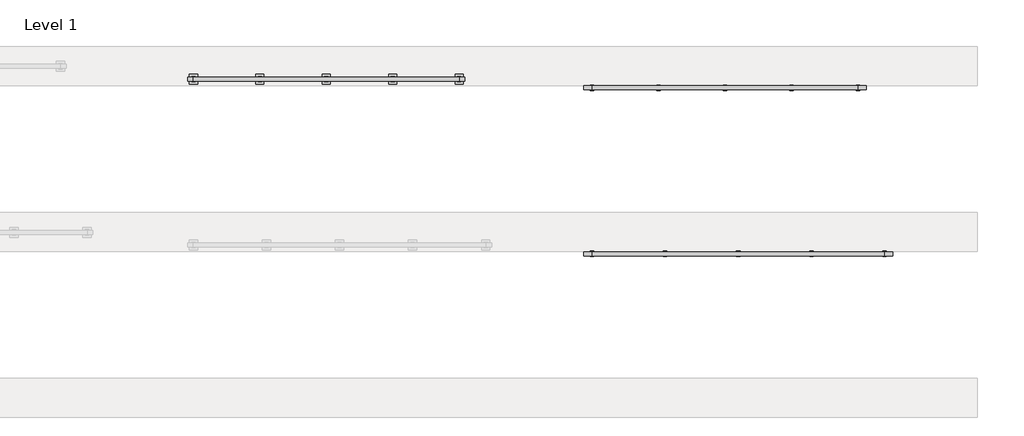
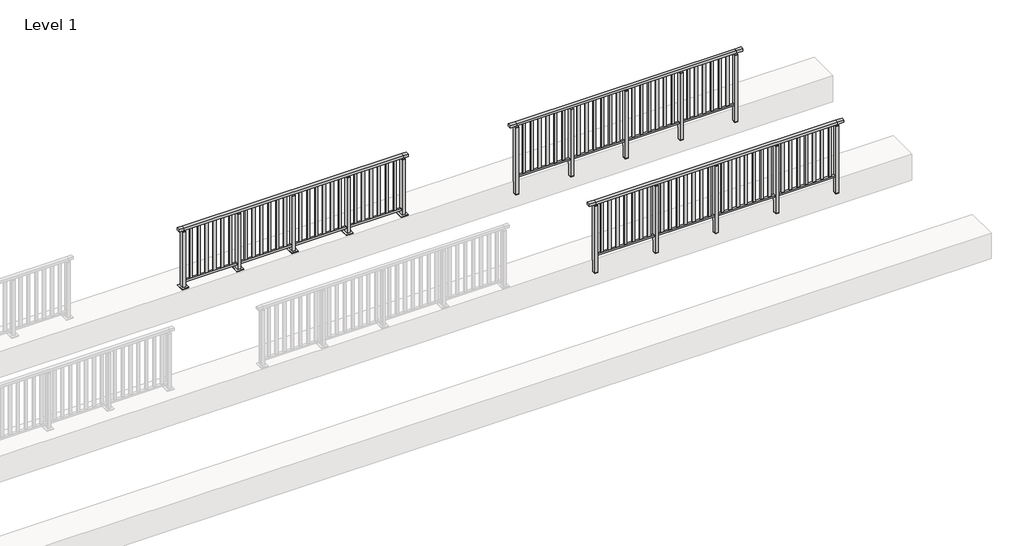
# One storey, part 31 of 38: 3 railings.
"""IFC4 building model written with IfcOpenShell, lengths in millimetres."""

from ifc_helpers import new_model, si_unit, frame, origin, origin_with_axes, place, context, project, spatial, polyline, outline, extrude, faceted_brep, element, save

model = new_model("IFC4")

# Units and contexts
model_context = context("Model", 3, world=origin())
ifc_project = project(units=[si_unit("LENGTHUNIT", "METRE", prefix="MILLI")], contexts=[model_context])

# Site, building, storey
site = spatial("IfcSite", under=ifc_project)
building = spatial("IfcBuilding", under=site)
storey = spatial("IfcBuildingStorey", under=building, Name="Level 1", Elevation=0.0)

# Railings
placement = place(None, origin())
element("IfcRailing", 1, at=placement, inside=storey, context=model_context, shape_type="SolidModel", body=[
    faceted_brep([(12000.0, 49897.6846828, 1102.5), (12000.0, 49897.6846828, 1150.0), (16400.0, 49897.6846828, 1150.0), (16400.0, 49897.6846828, 1102.5), (12000.0, 49837.6846828, 1102.5), (16400.0, 49837.6846828, 1102.5), (12000.0, 49837.6846828, 1150.0), (16400.0, 49837.6846828, 1150.0), (11877.0, 49897.6846828, 1150.0), (11877.0, 49897.6846828, 1102.5), (11877.0, 49837.6846828, 1102.5), (11877.0, 49837.6846828, 1150.0), (16523.0, 49897.6846828, 1150.0), (16523.0, 49837.6846828, 1150.0), (16523.0, 49837.6846828, 1102.5), (16523.0, 49897.6846828, 1102.5)], [[[0, 1, 2, 3]], [[4, 0, 3, 5]], [[6, 4, 5, 7]], [[1, 6, 7, 2]], [[8, 9, 10, 11]], [[9, 8, 1, 0]], [[10, 9, 0, 4]], [[11, 10, 4, 6]], [[8, 11, 6, 1]], [[12, 13, 14, 15]], [[3, 2, 12, 15]], [[5, 3, 15, 14]], [[7, 5, 14, 13]], [[2, 7, 13, 12]]]),
    extrude(outline(polyline([(12000.0, 49849.6846828), (12000.0, 49885.6846828), (16400.0, 49885.6846828), (16400.0, 49849.6846828), (12000.0, 49849.6846828)])), frame((0.0, 0.0, 93.0), z_axis=(0.0, 0.0, 1.0), x_axis=(1.0, 0.0, 0.0)), (0.0, 0.0, 1.0), 32.0),
    extrude(outline(polyline([(16306.3592058, 49859.1846828), (16257.3592058, 49859.1846828), (16257.3592058, 49876.1846828), (16306.3592058, 49876.1846828), (16306.3592058, 49859.1846828)])), frame((0.0, 0.0, 125.0), z_axis=(0.0, 0.0, 1.0), x_axis=(1.0, 0.0, 0.0)), (0.0, 0.0, 1.0), 980.0),
    extrude(outline(polyline([(16162.4061372, 49859.1846828), (16113.4061372, 49859.1846828), (16113.4061372, 49876.1846828), (16162.4061372, 49876.1846828), (16162.4061372, 49859.1846828)])), frame((0.0, 0.0, 125.0), z_axis=(0.0, 0.0, 1.0), x_axis=(1.0, 0.0, 0.0)), (0.0, 0.0, 1.0), 980.0),
    extrude(outline(polyline([(16018.4530686, 49859.1846828), (15969.4530686, 49859.1846828), (15969.4530686, 49876.1846828), (16018.4530686, 49876.1846828), (16018.4530686, 49859.1846828)])), frame((0.0, 0.0, 125.0), z_axis=(0.0, 0.0, 1.0), x_axis=(1.0, 0.0, 0.0)), (0.0, 0.0, 1.0), 980.0),
    extrude(outline(polyline([(15874.5, 49859.1846828), (15825.5, 49859.1846828), (15825.5, 49876.1846828), (15874.5, 49876.1846828), (15874.5, 49859.1846828)])), frame((0.0, 0.0, 125.0), z_axis=(0.0, 0.0, 1.0), x_axis=(1.0, 0.0, 0.0)), (0.0, 0.0, 1.0), 980.0),
    extrude(outline(polyline([(15730.5469314, 49859.1846828), (15681.5469314, 49859.1846828), (15681.5469314, 49876.1846828), (15730.5469314, 49876.1846828), (15730.5469314, 49859.1846828)])), frame((0.0, 0.0, 125.0), z_axis=(0.0, 0.0, 1.0), x_axis=(1.0, 0.0, 0.0)), (0.0, 0.0, 1.0), 980.0),
    extrude(outline(polyline([(15586.5938628, 49859.1846828), (15537.5938628, 49859.1846828), (15537.5938628, 49876.1846828), (15586.5938628, 49876.1846828), (15586.5938628, 49859.1846828)])), frame((0.0, 0.0, 125.0), z_axis=(0.0, 0.0, 1.0), x_axis=(1.0, 0.0, 0.0)), (0.0, 0.0, 1.0), 980.0),
    extrude(outline(polyline([(15442.6407942, 49859.1846828), (15393.6407942, 49859.1846828), (15393.6407942, 49876.1846828), (15442.6407942, 49876.1846828), (15442.6407942, 49859.1846828)])), frame((0.0, 0.0, 125.0), z_axis=(0.0, 0.0, 1.0), x_axis=(1.0, 0.0, 0.0)), (0.0, 0.0, 1.0), 980.0),
    extrude(outline(polyline([(15327.0, 49906.6846828), (15327.0, 49828.6846828), (15273.0, 49828.6846828), (15273.0, 49906.6846828), (15327.0, 49906.6846828)])), frame((0.0, 0.0, 1077.0), z_axis=(0.0, 0.0, 1.0), x_axis=(1.0, 0.0, 0.0)), (0.0, 0.0, 1.0), 8.0),
    extrude(outline(polyline([(15327.0, 49906.6846828), (15327.0, 49828.6846828), (15273.0, 49828.6846828), (15273.0, 49906.6846828), (15327.0, 49906.6846828)])), frame((0.0, 0.0, -212.0), z_axis=(0.0, 0.0, 1.0), x_axis=(1.0, 0.0, 0.0)), (0.0, 0.0, 1.0), 1289.0),
    extrude(outline(polyline([(15310.0, 49877.6846828), (15310.0, 49857.6846828), (15290.0, 49857.6846828), (15290.0, 49877.6846828), (15310.0, 49877.6846828)])), frame((0.0, 0.0, 1085.0), z_axis=(0.0, 0.0, 1.0), x_axis=(1.0, 0.0, 0.0)), (0.0, 0.0, 1.0), 20.0),
    extrude(outline(polyline([(15327.0, 49906.6846828), (15327.0, 49828.6846828), (15273.0, 49828.6846828), (15273.0, 49906.6846828), (15327.0, 49906.6846828)])), frame((0.0, 0.0, -220.0), z_axis=(0.0, 0.0, 1.0), x_axis=(1.0, 0.0, 0.0)), (0.0, 0.0, 1.0), 8.0),
    extrude(outline(polyline([(15206.3592058, 49859.1846828), (15157.3592058, 49859.1846828), (15157.3592058, 49876.1846828), (15206.3592058, 49876.1846828), (15206.3592058, 49859.1846828)])), frame((0.0, 0.0, 125.0), z_axis=(0.0, 0.0, 1.0), x_axis=(1.0, 0.0, 0.0)), (0.0, 0.0, 1.0), 980.0),
    extrude(outline(polyline([(15062.4061372, 49859.1846828), (15013.4061372, 49859.1846828), (15013.4061372, 49876.1846828), (15062.4061372, 49876.1846828), (15062.4061372, 49859.1846828)])), frame((0.0, 0.0, 125.0), z_axis=(0.0, 0.0, 1.0), x_axis=(1.0, 0.0, 0.0)), (0.0, 0.0, 1.0), 980.0),
    extrude(outline(polyline([(14918.4530686, 49859.1846828), (14869.4530686, 49859.1846828), (14869.4530686, 49876.1846828), (14918.4530686, 49876.1846828), (14918.4530686, 49859.1846828)])), frame((0.0, 0.0, 125.0), z_axis=(0.0, 0.0, 1.0), x_axis=(1.0, 0.0, 0.0)), (0.0, 0.0, 1.0), 980.0),
    extrude(outline(polyline([(14774.5, 49859.1846828), (14725.5, 49859.1846828), (14725.5, 49876.1846828), (14774.5, 49876.1846828), (14774.5, 49859.1846828)])), frame((0.0, 0.0, 125.0), z_axis=(0.0, 0.0, 1.0), x_axis=(1.0, 0.0, 0.0)), (0.0, 0.0, 1.0), 980.0),
    extrude(outline(polyline([(14630.5469314, 49859.1846828), (14581.5469314, 49859.1846828), (14581.5469314, 49876.1846828), (14630.5469314, 49876.1846828), (14630.5469314, 49859.1846828)])), frame((0.0, 0.0, 125.0), z_axis=(0.0, 0.0, 1.0), x_axis=(1.0, 0.0, 0.0)), (0.0, 0.0, 1.0), 980.0),
    extrude(outline(polyline([(14486.5938628, 49859.1846828), (14437.5938628, 49859.1846828), (14437.5938628, 49876.1846828), (14486.5938628, 49876.1846828), (14486.5938628, 49859.1846828)])), frame((0.0, 0.0, 125.0), z_axis=(0.0, 0.0, 1.0), x_axis=(1.0, 0.0, 0.0)), (0.0, 0.0, 1.0), 980.0),
    extrude(outline(polyline([(14342.6407942, 49859.1846828), (14293.6407942, 49859.1846828), (14293.6407942, 49876.1846828), (14342.6407942, 49876.1846828), (14342.6407942, 49859.1846828)])), frame((0.0, 0.0, 125.0), z_axis=(0.0, 0.0, 1.0), x_axis=(1.0, 0.0, 0.0)), (0.0, 0.0, 1.0), 980.0),
    extrude(outline(polyline([(14227.0, 49906.6846828), (14227.0, 49828.6846828), (14173.0, 49828.6846828), (14173.0, 49906.6846828), (14227.0, 49906.6846828)])), frame((0.0, 0.0, 1077.0), z_axis=(0.0, 0.0, 1.0), x_axis=(1.0, 0.0, 0.0)), (0.0, 0.0, 1.0), 8.0),
    extrude(outline(polyline([(14227.0, 49906.6846828), (14227.0, 49828.6846828), (14173.0, 49828.6846828), (14173.0, 49906.6846828), (14227.0, 49906.6846828)])), frame((0.0, 0.0, -212.0), z_axis=(0.0, 0.0, 1.0), x_axis=(1.0, 0.0, 0.0)), (0.0, 0.0, 1.0), 1289.0),
    extrude(outline(polyline([(14210.0, 49877.6846828), (14210.0, 49857.6846828), (14190.0, 49857.6846828), (14190.0, 49877.6846828), (14210.0, 49877.6846828)])), frame((0.0, 0.0, 1085.0), z_axis=(0.0, 0.0, 1.0), x_axis=(1.0, 0.0, 0.0)), (0.0, 0.0, 1.0), 20.0),
    extrude(outline(polyline([(14227.0, 49906.6846828), (14227.0, 49828.6846828), (14173.0, 49828.6846828), (14173.0, 49906.6846828), (14227.0, 49906.6846828)])), frame((0.0, 0.0, -220.0), z_axis=(0.0, 0.0, 1.0), x_axis=(1.0, 0.0, 0.0)), (0.0, 0.0, 1.0), 8.0),
    extrude(outline(polyline([(14106.3592058, 49859.1846828), (14057.3592058, 49859.1846828), (14057.3592058, 49876.1846828), (14106.3592058, 49876.1846828), (14106.3592058, 49859.1846828)])), frame((0.0, 0.0, 125.0), z_axis=(0.0, 0.0, 1.0), x_axis=(1.0, 0.0, 0.0)), (0.0, 0.0, 1.0), 980.0),
    extrude(outline(polyline([(13962.4061372, 49859.1846828), (13913.4061372, 49859.1846828), (13913.4061372, 49876.1846828), (13962.4061372, 49876.1846828), (13962.4061372, 49859.1846828)])), frame((0.0, 0.0, 125.0), z_axis=(0.0, 0.0, 1.0), x_axis=(1.0, 0.0, 0.0)), (0.0, 0.0, 1.0), 980.0),
    extrude(outline(polyline([(13818.4530686, 49859.1846828), (13769.4530686, 49859.1846828), (13769.4530686, 49876.1846828), (13818.4530686, 49876.1846828), (13818.4530686, 49859.1846828)])), frame((0.0, 0.0, 125.0), z_axis=(0.0, 0.0, 1.0), x_axis=(1.0, 0.0, 0.0)), (0.0, 0.0, 1.0), 980.0),
    extrude(outline(polyline([(13674.5, 49859.1846828), (13625.5, 49859.1846828), (13625.5, 49876.1846828), (13674.5, 49876.1846828), (13674.5, 49859.1846828)])), frame((0.0, 0.0, 125.0), z_axis=(0.0, 0.0, 1.0), x_axis=(1.0, 0.0, 0.0)), (0.0, 0.0, 1.0), 980.0),
    extrude(outline(polyline([(13530.5469314, 49859.1846828), (13481.5469314, 49859.1846828), (13481.5469314, 49876.1846828), (13530.5469314, 49876.1846828), (13530.5469314, 49859.1846828)])), frame((0.0, 0.0, 125.0), z_axis=(0.0, 0.0, 1.0), x_axis=(1.0, 0.0, 0.0)), (0.0, 0.0, 1.0), 980.0),
    extrude(outline(polyline([(13386.5938628, 49859.1846828), (13337.5938628, 49859.1846828), (13337.5938628, 49876.1846828), (13386.5938628, 49876.1846828), (13386.5938628, 49859.1846828)])), frame((0.0, 0.0, 125.0), z_axis=(0.0, 0.0, 1.0), x_axis=(1.0, 0.0, 0.0)), (0.0, 0.0, 1.0), 980.0),
    extrude(outline(polyline([(13242.6407942, 49859.1846828), (13193.6407942, 49859.1846828), (13193.6407942, 49876.1846828), (13242.6407942, 49876.1846828), (13242.6407942, 49859.1846828)])), frame((0.0, 0.0, 125.0), z_axis=(0.0, 0.0, 1.0), x_axis=(1.0, 0.0, 0.0)), (0.0, 0.0, 1.0), 980.0),
    extrude(outline(polyline([(13127.0, 49906.6846828), (13127.0, 49828.6846828), (13073.0, 49828.6846828), (13073.0, 49906.6846828), (13127.0, 49906.6846828)])), frame((0.0, 0.0, 1077.0), z_axis=(0.0, 0.0, 1.0), x_axis=(1.0, 0.0, 0.0)), (0.0, 0.0, 1.0), 8.0),
    extrude(outline(polyline([(13127.0, 49906.6846828), (13127.0, 49828.6846828), (13073.0, 49828.6846828), (13073.0, 49906.6846828), (13127.0, 49906.6846828)])), frame((0.0, 0.0, -212.0), z_axis=(0.0, 0.0, 1.0), x_axis=(1.0, 0.0, 0.0)), (0.0, 0.0, 1.0), 1289.0),
    extrude(outline(polyline([(13110.0, 49877.6846828), (13110.0, 49857.6846828), (13090.0, 49857.6846828), (13090.0, 49877.6846828), (13110.0, 49877.6846828)])), frame((0.0, 0.0, 1085.0), z_axis=(0.0, 0.0, 1.0), x_axis=(1.0, 0.0, 0.0)), (0.0, 0.0, 1.0), 20.0),
    extrude(outline(polyline([(13127.0, 49906.6846828), (13127.0, 49828.6846828), (13073.0, 49828.6846828), (13073.0, 49906.6846828), (13127.0, 49906.6846828)])), frame((0.0, 0.0, -220.0), z_axis=(0.0, 0.0, 1.0), x_axis=(1.0, 0.0, 0.0)), (0.0, 0.0, 1.0), 8.0),
    extrude(outline(polyline([(13006.3592058, 49859.1846828), (12957.3592058, 49859.1846828), (12957.3592058, 49876.1846828), (13006.3592058, 49876.1846828), (13006.3592058, 49859.1846828)])), frame((0.0, 0.0, 125.0), z_axis=(0.0, 0.0, 1.0), x_axis=(1.0, 0.0, 0.0)), (0.0, 0.0, 1.0), 980.0),
    extrude(outline(polyline([(12862.4061372, 49859.1846828), (12813.4061372, 49859.1846828), (12813.4061372, 49876.1846828), (12862.4061372, 49876.1846828), (12862.4061372, 49859.1846828)])), frame((0.0, 0.0, 125.0), z_axis=(0.0, 0.0, 1.0), x_axis=(1.0, 0.0, 0.0)), (0.0, 0.0, 1.0), 980.0),
    extrude(outline(polyline([(12718.4530686, 49859.1846828), (12669.4530686, 49859.1846828), (12669.4530686, 49876.1846828), (12718.4530686, 49876.1846828), (12718.4530686, 49859.1846828)])), frame((0.0, 0.0, 125.0), z_axis=(0.0, 0.0, 1.0), x_axis=(1.0, 0.0, 0.0)), (0.0, 0.0, 1.0), 980.0),
    extrude(outline(polyline([(12574.5, 49859.1846828), (12525.5, 49859.1846828), (12525.5, 49876.1846828), (12574.5, 49876.1846828), (12574.5, 49859.1846828)])), frame((0.0, 0.0, 125.0), z_axis=(0.0, 0.0, 1.0), x_axis=(1.0, 0.0, 0.0)), (0.0, 0.0, 1.0), 980.0),
    extrude(outline(polyline([(12430.5469314, 49859.1846828), (12381.5469314, 49859.1846828), (12381.5469314, 49876.1846828), (12430.5469314, 49876.1846828), (12430.5469314, 49859.1846828)])), frame((0.0, 0.0, 125.0), z_axis=(0.0, 0.0, 1.0), x_axis=(1.0, 0.0, 0.0)), (0.0, 0.0, 1.0), 980.0),
    extrude(outline(polyline([(12286.5938628, 49859.1846828), (12237.5938628, 49859.1846828), (12237.5938628, 49876.1846828), (12286.5938628, 49876.1846828), (12286.5938628, 49859.1846828)])), frame((0.0, 0.0, 125.0), z_axis=(0.0, 0.0, 1.0), x_axis=(1.0, 0.0, 0.0)), (0.0, 0.0, 1.0), 980.0),
    extrude(outline(polyline([(12142.6407942, 49859.1846828), (12093.6407942, 49859.1846828), (12093.6407942, 49876.1846828), (12142.6407942, 49876.1846828), (12142.6407942, 49859.1846828)])), frame((0.0, 0.0, 125.0), z_axis=(0.0, 0.0, 1.0), x_axis=(1.0, 0.0, 0.0)), (0.0, 0.0, 1.0), 980.0),
    extrude(outline(polyline([(16427.0, 49906.6846828), (16427.0, 49828.6846828), (16373.0, 49828.6846828), (16373.0, 49906.6846828), (16427.0, 49906.6846828)])), frame((0.0, 0.0, 1077.0), z_axis=(0.0, 0.0, 1.0), x_axis=(1.0, 0.0, 0.0)), (0.0, 0.0, 1.0), 8.0),
    extrude(outline(polyline([(16427.0, 49906.6846828), (16427.0, 49828.6846828), (16373.0, 49828.6846828), (16373.0, 49906.6846828), (16427.0, 49906.6846828)])), frame((0.0, 0.0, -212.0), z_axis=(0.0, 0.0, 1.0), x_axis=(1.0, 0.0, 0.0)), (0.0, 0.0, 1.0), 1289.0),
    extrude(outline(polyline([(16410.0, 49877.6846828), (16410.0, 49857.6846828), (16390.0, 49857.6846828), (16390.0, 49877.6846828), (16410.0, 49877.6846828)])), frame((0.0, 0.0, 1085.0), z_axis=(0.0, 0.0, 1.0), x_axis=(1.0, 0.0, 0.0)), (0.0, 0.0, 1.0), 20.0),
    extrude(outline(polyline([(16427.0, 49906.6846828), (16427.0, 49828.6846828), (16373.0, 49828.6846828), (16373.0, 49906.6846828), (16427.0, 49906.6846828)])), frame((0.0, 0.0, -220.0), z_axis=(0.0, 0.0, 1.0), x_axis=(1.0, 0.0, 0.0)), (0.0, 0.0, 1.0), 8.0),
    extrude(outline(polyline([(12027.0, 49906.6846828), (12027.0, 49828.6846828), (11973.0, 49828.6846828), (11973.0, 49906.6846828), (12027.0, 49906.6846828)])), frame((0.0, 0.0, 1077.0), z_axis=(0.0, 0.0, 1.0), x_axis=(1.0, 0.0, 0.0)), (0.0, 0.0, 1.0), 8.0),
    extrude(outline(polyline([(12027.0, 49906.6846828), (12027.0, 49828.6846828), (11973.0, 49828.6846828), (11973.0, 49906.6846828), (12027.0, 49906.6846828)])), frame((0.0, 0.0, -212.0), z_axis=(0.0, 0.0, 1.0), x_axis=(1.0, 0.0, 0.0)), (0.0, 0.0, 1.0), 1289.0),
    extrude(outline(polyline([(12010.0, 49877.6846828), (12010.0, 49857.6846828), (11990.0, 49857.6846828), (11990.0, 49877.6846828), (12010.0, 49877.6846828)])), frame((0.0, 0.0, 1085.0), z_axis=(0.0, 0.0, 1.0), x_axis=(1.0, 0.0, 0.0)), (0.0, 0.0, 1.0), 20.0),
    extrude(outline(polyline([(12027.0, 49906.6846828), (12027.0, 49828.6846828), (11973.0, 49828.6846828), (11973.0, 49906.6846828), (12027.0, 49906.6846828)])), frame((0.0, 0.0, -220.0), z_axis=(0.0, 0.0, 1.0), x_axis=(1.0, 0.0, 0.0)), (0.0, 0.0, 1.0), 8.0),
])
element("IfcRailing", 2, at=placement, inside=storey, context=model_context, shape_type="SolidModel", body=[
    faceted_brep([(12000.0, 52397.6846828, 1102.5), (12000.0, 52397.6846828, 1150.0), (16000.0, 52397.6846828, 1150.0), (16000.0, 52397.6846828, 1102.5), (12000.0, 52337.6846828, 1102.5), (16000.0, 52337.6846828, 1102.5), (12000.0, 52337.6846828, 1150.0), (16000.0, 52337.6846828, 1150.0), (11877.0, 52397.6846828, 1150.0), (11877.0, 52397.6846828, 1102.5), (11877.0, 52337.6846828, 1102.5), (11877.0, 52337.6846828, 1150.0), (16123.0, 52397.6846828, 1150.0), (16123.0, 52337.6846828, 1150.0), (16123.0, 52337.6846828, 1102.5), (16123.0, 52397.6846828, 1102.5)], [[[0, 1, 2, 3]], [[4, 0, 3, 5]], [[6, 4, 5, 7]], [[1, 6, 7, 2]], [[8, 9, 10, 11]], [[9, 8, 1, 0]], [[10, 9, 0, 4]], [[11, 10, 4, 6]], [[8, 11, 6, 1]], [[12, 13, 14, 15]], [[3, 2, 12, 15]], [[5, 3, 15, 14]], [[7, 5, 14, 13]], [[2, 7, 13, 12]]]),
    extrude(outline(polyline([(12000.0, 52349.6846828), (12000.0, 52385.6846828), (16000.0, 52385.6846828), (16000.0, 52349.6846828), (12000.0, 52349.6846828)])), frame((0.0, 0.0, 93.0), z_axis=(0.0, 0.0, 1.0), x_axis=(1.0, 0.0, 0.0)), (0.0, 0.0, 1.0), 32.0),
    extrude(outline(polyline([(15884.480139, 52359.1846828), (15835.480139, 52359.1846828), (15835.480139, 52376.1846828), (15884.480139, 52376.1846828), (15884.480139, 52359.1846828)])), frame((0.0, 0.0, 125.0), z_axis=(0.0, 0.0, 1.0), x_axis=(1.0, 0.0, 0.0)), (0.0, 0.0, 1.0), 980.0),
    extrude(outline(polyline([(15740.4880834, 52359.1846828), (15691.4880834, 52359.1846828), (15691.4880834, 52376.1846828), (15740.4880834, 52376.1846828), (15740.4880834, 52359.1846828)])), frame((0.0, 0.0, 125.0), z_axis=(0.0, 0.0, 1.0), x_axis=(1.0, 0.0, 0.0)), (0.0, 0.0, 1.0), 980.0),
    extrude(outline(polyline([(15596.4960278, 52359.1846828), (15547.4960278, 52359.1846828), (15547.4960278, 52376.1846828), (15596.4960278, 52376.1846828), (15596.4960278, 52359.1846828)])), frame((0.0, 0.0, 125.0), z_axis=(0.0, 0.0, 1.0), x_axis=(1.0, 0.0, 0.0)), (0.0, 0.0, 1.0), 980.0),
    extrude(outline(polyline([(15452.5039722, 52359.1846828), (15403.5039722, 52359.1846828), (15403.5039722, 52376.1846828), (15452.5039722, 52376.1846828), (15452.5039722, 52359.1846828)])), frame((0.0, 0.0, 125.0), z_axis=(0.0, 0.0, 1.0), x_axis=(1.0, 0.0, 0.0)), (0.0, 0.0, 1.0), 980.0),
    extrude(outline(polyline([(15308.5119166, 52359.1846828), (15259.5119166, 52359.1846828), (15259.5119166, 52376.1846828), (15308.5119166, 52376.1846828), (15308.5119166, 52359.1846828)])), frame((0.0, 0.0, 125.0), z_axis=(0.0, 0.0, 1.0), x_axis=(1.0, 0.0, 0.0)), (0.0, 0.0, 1.0), 980.0),
    extrude(outline(polyline([(15164.519861, 52359.1846828), (15115.519861, 52359.1846828), (15115.519861, 52376.1846828), (15164.519861, 52376.1846828), (15164.519861, 52359.1846828)])), frame((0.0, 0.0, 125.0), z_axis=(0.0, 0.0, 1.0), x_axis=(1.0, 0.0, 0.0)), (0.0, 0.0, 1.0), 980.0),
    extrude(outline(polyline([(15027.0, 52406.6846828), (15027.0, 52328.6846828), (14973.0, 52328.6846828), (14973.0, 52406.6846828), (15027.0, 52406.6846828)])), frame((0.0, 0.0, 1077.0), z_axis=(0.0, 0.0, 1.0), x_axis=(1.0, 0.0, 0.0)), (0.0, 0.0, 1.0), 8.0),
    extrude(outline(polyline([(15027.0, 52406.6846828), (15027.0, 52328.6846828), (14973.0, 52328.6846828), (14973.0, 52406.6846828), (15027.0, 52406.6846828)])), frame((0.0, 0.0, -212.0), z_axis=(0.0, 0.0, 1.0), x_axis=(1.0, 0.0, 0.0)), (0.0, 0.0, 1.0), 1289.0),
    extrude(outline(polyline([(15010.0, 52377.6846828), (15010.0, 52357.6846828), (14990.0, 52357.6846828), (14990.0, 52377.6846828), (15010.0, 52377.6846828)])), frame((0.0, 0.0, 1085.0), z_axis=(0.0, 0.0, 1.0), x_axis=(1.0, 0.0, 0.0)), (0.0, 0.0, 1.0), 20.0),
    extrude(outline(polyline([(15027.0, 52406.6846828), (15027.0, 52328.6846828), (14973.0, 52328.6846828), (14973.0, 52406.6846828), (15027.0, 52406.6846828)])), frame((0.0, 0.0, -220.0), z_axis=(0.0, 0.0, 1.0), x_axis=(1.0, 0.0, 0.0)), (0.0, 0.0, 1.0), 8.0),
    extrude(outline(polyline([(14884.480139, 52359.1846828), (14835.480139, 52359.1846828), (14835.480139, 52376.1846828), (14884.480139, 52376.1846828), (14884.480139, 52359.1846828)])), frame((0.0, 0.0, 125.0), z_axis=(0.0, 0.0, 1.0), x_axis=(1.0, 0.0, 0.0)), (0.0, 0.0, 1.0), 980.0),
    extrude(outline(polyline([(14740.4880834, 52359.1846828), (14691.4880834, 52359.1846828), (14691.4880834, 52376.1846828), (14740.4880834, 52376.1846828), (14740.4880834, 52359.1846828)])), frame((0.0, 0.0, 125.0), z_axis=(0.0, 0.0, 1.0), x_axis=(1.0, 0.0, 0.0)), (0.0, 0.0, 1.0), 980.0),
    extrude(outline(polyline([(14596.4960278, 52359.1846828), (14547.4960278, 52359.1846828), (14547.4960278, 52376.1846828), (14596.4960278, 52376.1846828), (14596.4960278, 52359.1846828)])), frame((0.0, 0.0, 125.0), z_axis=(0.0, 0.0, 1.0), x_axis=(1.0, 0.0, 0.0)), (0.0, 0.0, 1.0), 980.0),
    extrude(outline(polyline([(14452.5039722, 52359.1846828), (14403.5039722, 52359.1846828), (14403.5039722, 52376.1846828), (14452.5039722, 52376.1846828), (14452.5039722, 52359.1846828)])), frame((0.0, 0.0, 125.0), z_axis=(0.0, 0.0, 1.0), x_axis=(1.0, 0.0, 0.0)), (0.0, 0.0, 1.0), 980.0),
    extrude(outline(polyline([(14308.5119166, 52359.1846828), (14259.5119166, 52359.1846828), (14259.5119166, 52376.1846828), (14308.5119166, 52376.1846828), (14308.5119166, 52359.1846828)])), frame((0.0, 0.0, 125.0), z_axis=(0.0, 0.0, 1.0), x_axis=(1.0, 0.0, 0.0)), (0.0, 0.0, 1.0), 980.0),
    extrude(outline(polyline([(14164.519861, 52359.1846828), (14115.519861, 52359.1846828), (14115.519861, 52376.1846828), (14164.519861, 52376.1846828), (14164.519861, 52359.1846828)])), frame((0.0, 0.0, 125.0), z_axis=(0.0, 0.0, 1.0), x_axis=(1.0, 0.0, 0.0)), (0.0, 0.0, 1.0), 980.0),
    extrude(outline(polyline([(14027.0, 52406.6846828), (14027.0, 52328.6846828), (13973.0, 52328.6846828), (13973.0, 52406.6846828), (14027.0, 52406.6846828)])), frame((0.0, 0.0, 1077.0), z_axis=(0.0, 0.0, 1.0), x_axis=(1.0, 0.0, 0.0)), (0.0, 0.0, 1.0), 8.0),
    extrude(outline(polyline([(14027.0, 52406.6846828), (14027.0, 52328.6846828), (13973.0, 52328.6846828), (13973.0, 52406.6846828), (14027.0, 52406.6846828)])), frame((0.0, 0.0, -212.0), z_axis=(0.0, 0.0, 1.0), x_axis=(1.0, 0.0, 0.0)), (0.0, 0.0, 1.0), 1289.0),
    extrude(outline(polyline([(14010.0, 52377.6846828), (14010.0, 52357.6846828), (13990.0, 52357.6846828), (13990.0, 52377.6846828), (14010.0, 52377.6846828)])), frame((0.0, 0.0, 1085.0), z_axis=(0.0, 0.0, 1.0), x_axis=(1.0, 0.0, 0.0)), (0.0, 0.0, 1.0), 20.0),
    extrude(outline(polyline([(14027.0, 52406.6846828), (14027.0, 52328.6846828), (13973.0, 52328.6846828), (13973.0, 52406.6846828), (14027.0, 52406.6846828)])), frame((0.0, 0.0, -220.0), z_axis=(0.0, 0.0, 1.0), x_axis=(1.0, 0.0, 0.0)), (0.0, 0.0, 1.0), 8.0),
    extrude(outline(polyline([(13884.480139, 52359.1846828), (13835.480139, 52359.1846828), (13835.480139, 52376.1846828), (13884.480139, 52376.1846828), (13884.480139, 52359.1846828)])), frame((0.0, 0.0, 125.0), z_axis=(0.0, 0.0, 1.0), x_axis=(1.0, 0.0, 0.0)), (0.0, 0.0, 1.0), 980.0),
    extrude(outline(polyline([(13740.4880834, 52359.1846828), (13691.4880834, 52359.1846828), (13691.4880834, 52376.1846828), (13740.4880834, 52376.1846828), (13740.4880834, 52359.1846828)])), frame((0.0, 0.0, 125.0), z_axis=(0.0, 0.0, 1.0), x_axis=(1.0, 0.0, 0.0)), (0.0, 0.0, 1.0), 980.0),
    extrude(outline(polyline([(13596.4960278, 52359.1846828), (13547.4960278, 52359.1846828), (13547.4960278, 52376.1846828), (13596.4960278, 52376.1846828), (13596.4960278, 52359.1846828)])), frame((0.0, 0.0, 125.0), z_axis=(0.0, 0.0, 1.0), x_axis=(1.0, 0.0, 0.0)), (0.0, 0.0, 1.0), 980.0),
    extrude(outline(polyline([(13452.5039722, 52359.1846828), (13403.5039722, 52359.1846828), (13403.5039722, 52376.1846828), (13452.5039722, 52376.1846828), (13452.5039722, 52359.1846828)])), frame((0.0, 0.0, 125.0), z_axis=(0.0, 0.0, 1.0), x_axis=(1.0, 0.0, 0.0)), (0.0, 0.0, 1.0), 980.0),
    extrude(outline(polyline([(13308.5119166, 52359.1846828), (13259.5119166, 52359.1846828), (13259.5119166, 52376.1846828), (13308.5119166, 52376.1846828), (13308.5119166, 52359.1846828)])), frame((0.0, 0.0, 125.0), z_axis=(0.0, 0.0, 1.0), x_axis=(1.0, 0.0, 0.0)), (0.0, 0.0, 1.0), 980.0),
    extrude(outline(polyline([(13164.519861, 52359.1846828), (13115.519861, 52359.1846828), (13115.519861, 52376.1846828), (13164.519861, 52376.1846828), (13164.519861, 52359.1846828)])), frame((0.0, 0.0, 125.0), z_axis=(0.0, 0.0, 1.0), x_axis=(1.0, 0.0, 0.0)), (0.0, 0.0, 1.0), 980.0),
    extrude(outline(polyline([(13027.0, 52406.6846828), (13027.0, 52328.6846828), (12973.0, 52328.6846828), (12973.0, 52406.6846828), (13027.0, 52406.6846828)])), frame((0.0, 0.0, 1077.0), z_axis=(0.0, 0.0, 1.0), x_axis=(1.0, 0.0, 0.0)), (0.0, 0.0, 1.0), 8.0),
    extrude(outline(polyline([(13027.0, 52406.6846828), (13027.0, 52328.6846828), (12973.0, 52328.6846828), (12973.0, 52406.6846828), (13027.0, 52406.6846828)])), frame((0.0, 0.0, -212.0), z_axis=(0.0, 0.0, 1.0), x_axis=(1.0, 0.0, 0.0)), (0.0, 0.0, 1.0), 1289.0),
    extrude(outline(polyline([(13010.0, 52377.6846828), (13010.0, 52357.6846828), (12990.0, 52357.6846828), (12990.0, 52377.6846828), (13010.0, 52377.6846828)])), frame((0.0, 0.0, 1085.0), z_axis=(0.0, 0.0, 1.0), x_axis=(1.0, 0.0, 0.0)), (0.0, 0.0, 1.0), 20.0),
    extrude(outline(polyline([(13027.0, 52406.6846828), (13027.0, 52328.6846828), (12973.0, 52328.6846828), (12973.0, 52406.6846828), (13027.0, 52406.6846828)])), frame((0.0, 0.0, -220.0), z_axis=(0.0, 0.0, 1.0), x_axis=(1.0, 0.0, 0.0)), (0.0, 0.0, 1.0), 8.0),
    extrude(outline(polyline([(12884.480139, 52359.1846828), (12835.480139, 52359.1846828), (12835.480139, 52376.1846828), (12884.480139, 52376.1846828), (12884.480139, 52359.1846828)])), frame((0.0, 0.0, 125.0), z_axis=(0.0, 0.0, 1.0), x_axis=(1.0, 0.0, 0.0)), (0.0, 0.0, 1.0), 980.0),
    extrude(outline(polyline([(12740.4880834, 52359.1846828), (12691.4880834, 52359.1846828), (12691.4880834, 52376.1846828), (12740.4880834, 52376.1846828), (12740.4880834, 52359.1846828)])), frame((0.0, 0.0, 125.0), z_axis=(0.0, 0.0, 1.0), x_axis=(1.0, 0.0, 0.0)), (0.0, 0.0, 1.0), 980.0),
    extrude(outline(polyline([(12596.4960278, 52359.1846828), (12547.4960278, 52359.1846828), (12547.4960278, 52376.1846828), (12596.4960278, 52376.1846828), (12596.4960278, 52359.1846828)])), frame((0.0, 0.0, 125.0), z_axis=(0.0, 0.0, 1.0), x_axis=(1.0, 0.0, 0.0)), (0.0, 0.0, 1.0), 980.0),
    extrude(outline(polyline([(12452.5039722, 52359.1846828), (12403.5039722, 52359.1846828), (12403.5039722, 52376.1846828), (12452.5039722, 52376.1846828), (12452.5039722, 52359.1846828)])), frame((0.0, 0.0, 125.0), z_axis=(0.0, 0.0, 1.0), x_axis=(1.0, 0.0, 0.0)), (0.0, 0.0, 1.0), 980.0),
    extrude(outline(polyline([(12308.5119166, 52359.1846828), (12259.5119166, 52359.1846828), (12259.5119166, 52376.1846828), (12308.5119166, 52376.1846828), (12308.5119166, 52359.1846828)])), frame((0.0, 0.0, 125.0), z_axis=(0.0, 0.0, 1.0), x_axis=(1.0, 0.0, 0.0)), (0.0, 0.0, 1.0), 980.0),
    extrude(outline(polyline([(12164.519861, 52359.1846828), (12115.519861, 52359.1846828), (12115.519861, 52376.1846828), (12164.519861, 52376.1846828), (12164.519861, 52359.1846828)])), frame((0.0, 0.0, 125.0), z_axis=(0.0, 0.0, 1.0), x_axis=(1.0, 0.0, 0.0)), (0.0, 0.0, 1.0), 980.0),
    extrude(outline(polyline([(16027.0, 52406.6846828), (16027.0, 52328.6846828), (15973.0, 52328.6846828), (15973.0, 52406.6846828), (16027.0, 52406.6846828)])), frame((0.0, 0.0, 1077.0), z_axis=(0.0, 0.0, 1.0), x_axis=(1.0, 0.0, 0.0)), (0.0, 0.0, 1.0), 8.0),
    extrude(outline(polyline([(16027.0, 52406.6846828), (16027.0, 52328.6846828), (15973.0, 52328.6846828), (15973.0, 52406.6846828), (16027.0, 52406.6846828)])), frame((0.0, 0.0, -212.0), z_axis=(0.0, 0.0, 1.0), x_axis=(1.0, 0.0, 0.0)), (0.0, 0.0, 1.0), 1289.0),
    extrude(outline(polyline([(16010.0, 52377.6846828), (16010.0, 52357.6846828), (15990.0, 52357.6846828), (15990.0, 52377.6846828), (16010.0, 52377.6846828)])), frame((0.0, 0.0, 1085.0), z_axis=(0.0, 0.0, 1.0), x_axis=(1.0, 0.0, 0.0)), (0.0, 0.0, 1.0), 20.0),
    extrude(outline(polyline([(16027.0, 52406.6846828), (16027.0, 52328.6846828), (15973.0, 52328.6846828), (15973.0, 52406.6846828), (16027.0, 52406.6846828)])), frame((0.0, 0.0, -220.0), z_axis=(0.0, 0.0, 1.0), x_axis=(1.0, 0.0, 0.0)), (0.0, 0.0, 1.0), 8.0),
    extrude(outline(polyline([(12027.0, 52406.6846828), (12027.0, 52328.6846828), (11973.0, 52328.6846828), (11973.0, 52406.6846828), (12027.0, 52406.6846828)])), frame((0.0, 0.0, 1077.0), z_axis=(0.0, 0.0, 1.0), x_axis=(1.0, 0.0, 0.0)), (0.0, 0.0, 1.0), 8.0),
    extrude(outline(polyline([(12027.0, 52406.6846828), (12027.0, 52328.6846828), (11973.0, 52328.6846828), (11973.0, 52406.6846828), (12027.0, 52406.6846828)])), frame((0.0, 0.0, -212.0), z_axis=(0.0, 0.0, 1.0), x_axis=(1.0, 0.0, 0.0)), (0.0, 0.0, 1.0), 1289.0),
    extrude(outline(polyline([(12010.0, 52377.6846828), (12010.0, 52357.6846828), (11990.0, 52357.6846828), (11990.0, 52377.6846828), (12010.0, 52377.6846828)])), frame((0.0, 0.0, 1085.0), z_axis=(0.0, 0.0, 1.0), x_axis=(1.0, 0.0, 0.0)), (0.0, 0.0, 1.0), 20.0),
    extrude(outline(polyline([(12027.0, 52406.6846828), (12027.0, 52328.6846828), (11973.0, 52328.6846828), (11973.0, 52406.6846828), (12027.0, 52406.6846828)])), frame((0.0, 0.0, -220.0), z_axis=(0.0, 0.0, 1.0), x_axis=(1.0, 0.0, 0.0)), (0.0, 0.0, 1.0), 8.0),
])
element("IfcRailing", 3, at=placement, inside=storey, context=model_context, shape_type="SolidModel", body=[
    faceted_brep([(6000.0, 52530.1846828, 1102.5), (6000.0, 52530.1846828, 1150.0), (10000.0, 52530.1846828, 1150.0), (10000.0, 52530.1846828, 1102.5), (6000.0, 52470.1846828, 1102.5), (10000.0, 52470.1846828, 1102.5), (6000.0, 52470.1846828, 1150.0), (10000.0, 52470.1846828, 1150.0), (5912.5, 52530.1846828, 1150.0), (5912.5, 52530.1846828, 1102.5), (5912.5, 52470.1846828, 1102.5), (5912.5, 52470.1846828, 1150.0), (10087.5, 52530.1846828, 1150.0), (10087.5, 52470.1846828, 1150.0), (10087.5, 52470.1846828, 1102.5), (10087.5, 52530.1846828, 1102.5)], [[[0, 1, 2, 3]], [[4, 0, 3, 5]], [[6, 4, 5, 7]], [[1, 6, 7, 2]], [[8, 9, 10, 11]], [[9, 8, 1, 0]], [[10, 9, 0, 4]], [[11, 10, 4, 6]], [[8, 11, 6, 1]], [[12, 13, 14, 15]], [[3, 2, 12, 15]], [[5, 3, 15, 14]], [[7, 5, 14, 13]], [[2, 7, 13, 12]]]),
    extrude(outline(polyline([(6000.0, 52482.1846828), (6000.0, 52518.1846828), (10000.0, 52518.1846828), (10000.0, 52482.1846828), (6000.0, 52482.1846828)])), frame((0.0, 0.0, 93.0), z_axis=(0.0, 0.0, 1.0), x_axis=(1.0, 0.0, 0.0)), (0.0, 0.0, 1.0), 32.0),
    extrude(outline(polyline([(9884.480139, 52508.6846828), (9884.480139, 52491.6846828), (9835.480139, 52491.6846828), (9835.480139, 52508.6846828), (9884.480139, 52508.6846828)])), frame((0.0, 0.0, 125.0), z_axis=(0.0, 0.0, 1.0), x_axis=(1.0, 0.0, 0.0)), (0.0, 0.0, 1.0), 980.0),
    extrude(outline(polyline([(9740.4880834, 52508.6846828), (9740.4880834, 52491.6846828), (9691.4880834, 52491.6846828), (9691.4880834, 52508.6846828), (9740.4880834, 52508.6846828)])), frame((0.0, 0.0, 125.0), z_axis=(0.0, 0.0, 1.0), x_axis=(1.0, 0.0, 0.0)), (0.0, 0.0, 1.0), 980.0),
    extrude(outline(polyline([(9596.4960278, 52508.6846828), (9596.4960278, 52491.6846828), (9547.4960278, 52491.6846828), (9547.4960278, 52508.6846828), (9596.4960278, 52508.6846828)])), frame((0.0, 0.0, 125.0), z_axis=(0.0, 0.0, 1.0), x_axis=(1.0, 0.0, 0.0)), (0.0, 0.0, 1.0), 980.0),
    extrude(outline(polyline([(9452.5039722, 52508.6846828), (9452.5039722, 52491.6846828), (9403.5039722, 52491.6846828), (9403.5039722, 52508.6846828), (9452.5039722, 52508.6846828)])), frame((0.0, 0.0, 125.0), z_axis=(0.0, 0.0, 1.0), x_axis=(1.0, 0.0, 0.0)), (0.0, 0.0, 1.0), 980.0),
    extrude(outline(polyline([(9308.5119166, 52508.6846828), (9308.5119166, 52491.6846828), (9259.5119166, 52491.6846828), (9259.5119166, 52508.6846828), (9308.5119166, 52508.6846828)])), frame((0.0, 0.0, 125.0), z_axis=(0.0, 0.0, 1.0), x_axis=(1.0, 0.0, 0.0)), (0.0, 0.0, 1.0), 980.0),
    extrude(outline(polyline([(9164.519861, 52508.6846828), (9164.519861, 52491.6846828), (9115.519861, 52491.6846828), (9115.519861, 52508.6846828), (9164.519861, 52508.6846828)])), frame((0.0, 0.0, 125.0), z_axis=(0.0, 0.0, 1.0), x_axis=(1.0, 0.0, 0.0)), (0.0, 0.0, 1.0), 980.0),
    extrude(outline(polyline([(9010.0, 52490.1846828), (8990.0, 52490.1846828), (8990.0, 52510.1846828), (9010.0, 52510.1846828), (9010.0, 52490.1846828)])), frame((0.0, 0.0, 1085.0), z_axis=(0.0, 0.0, 1.0), x_axis=(1.0, 0.0, 0.0)), (0.0, 0.0, 1.0), 20.0),
    extrude(outline(polyline([(9027.0, 52461.1846828), (8973.0, 52461.1846828), (8973.0, 52539.1846828), (9027.0, 52539.1846828), (9027.0, 52461.1846828)])), frame((0.0, 0.0, 1077.0), z_axis=(0.0, 0.0, 1.0), x_axis=(1.0, 0.0, 0.0)), (0.0, 0.0, 1.0), 8.0),
    extrude(outline(polyline([(9062.5, 52425.1846828), (8937.5, 52425.1846828), (8937.5, 52575.1846828), (9062.5, 52575.1846828), (9062.5, 52425.1846828)])), origin_with_axes(), (0.0, 0.0, 1.0), 12.0),
    extrude(outline(polyline([(9027.0, 52461.1846828), (8973.0, 52461.1846828), (8973.0, 52539.1846828), (9027.0, 52539.1846828), (9027.0, 52461.1846828)])), frame((0.0, 0.0, 12.0), z_axis=(0.0, 0.0, 1.0), x_axis=(1.0, 0.0, 0.0)), (0.0, 0.0, 1.0), 1065.0),
    extrude(outline(polyline([(8884.480139, 52508.6846828), (8884.480139, 52491.6846828), (8835.480139, 52491.6846828), (8835.480139, 52508.6846828), (8884.480139, 52508.6846828)])), frame((0.0, 0.0, 125.0), z_axis=(0.0, 0.0, 1.0), x_axis=(1.0, 0.0, 0.0)), (0.0, 0.0, 1.0), 980.0),
    extrude(outline(polyline([(8740.4880834, 52508.6846828), (8740.4880834, 52491.6846828), (8691.4880834, 52491.6846828), (8691.4880834, 52508.6846828), (8740.4880834, 52508.6846828)])), frame((0.0, 0.0, 125.0), z_axis=(0.0, 0.0, 1.0), x_axis=(1.0, 0.0, 0.0)), (0.0, 0.0, 1.0), 980.0),
    extrude(outline(polyline([(8596.4960278, 52508.6846828), (8596.4960278, 52491.6846828), (8547.4960278, 52491.6846828), (8547.4960278, 52508.6846828), (8596.4960278, 52508.6846828)])), frame((0.0, 0.0, 125.0), z_axis=(0.0, 0.0, 1.0), x_axis=(1.0, 0.0, 0.0)), (0.0, 0.0, 1.0), 980.0),
    extrude(outline(polyline([(8452.5039722, 52508.6846828), (8452.5039722, 52491.6846828), (8403.5039722, 52491.6846828), (8403.5039722, 52508.6846828), (8452.5039722, 52508.6846828)])), frame((0.0, 0.0, 125.0), z_axis=(0.0, 0.0, 1.0), x_axis=(1.0, 0.0, 0.0)), (0.0, 0.0, 1.0), 980.0),
    extrude(outline(polyline([(8308.5119166, 52508.6846828), (8308.5119166, 52491.6846828), (8259.5119166, 52491.6846828), (8259.5119166, 52508.6846828), (8308.5119166, 52508.6846828)])), frame((0.0, 0.0, 125.0), z_axis=(0.0, 0.0, 1.0), x_axis=(1.0, 0.0, 0.0)), (0.0, 0.0, 1.0), 980.0),
    extrude(outline(polyline([(8164.519861, 52508.6846828), (8164.519861, 52491.6846828), (8115.519861, 52491.6846828), (8115.519861, 52508.6846828), (8164.519861, 52508.6846828)])), frame((0.0, 0.0, 125.0), z_axis=(0.0, 0.0, 1.0), x_axis=(1.0, 0.0, 0.0)), (0.0, 0.0, 1.0), 980.0),
    extrude(outline(polyline([(8010.0, 52490.1846828), (7990.0, 52490.1846828), (7990.0, 52510.1846828), (8010.0, 52510.1846828), (8010.0, 52490.1846828)])), frame((0.0, 0.0, 1085.0), z_axis=(0.0, 0.0, 1.0), x_axis=(1.0, 0.0, 0.0)), (0.0, 0.0, 1.0), 20.0),
    extrude(outline(polyline([(8027.0, 52461.1846828), (7973.0, 52461.1846828), (7973.0, 52539.1846828), (8027.0, 52539.1846828), (8027.0, 52461.1846828)])), frame((0.0, 0.0, 1077.0), z_axis=(0.0, 0.0, 1.0), x_axis=(1.0, 0.0, 0.0)), (0.0, 0.0, 1.0), 8.0),
    extrude(outline(polyline([(8062.5, 52425.1846828), (7937.5, 52425.1846828), (7937.5, 52575.1846828), (8062.5, 52575.1846828), (8062.5, 52425.1846828)])), origin_with_axes(), (0.0, 0.0, 1.0), 12.0),
    extrude(outline(polyline([(8027.0, 52461.1846828), (7973.0, 52461.1846828), (7973.0, 52539.1846828), (8027.0, 52539.1846828), (8027.0, 52461.1846828)])), frame((0.0, 0.0, 12.0), z_axis=(0.0, 0.0, 1.0), x_axis=(1.0, 0.0, 0.0)), (0.0, 0.0, 1.0), 1065.0),
    extrude(outline(polyline([(7884.480139, 52508.6846828), (7884.480139, 52491.6846828), (7835.480139, 52491.6846828), (7835.480139, 52508.6846828), (7884.480139, 52508.6846828)])), frame((0.0, 0.0, 125.0), z_axis=(0.0, 0.0, 1.0), x_axis=(1.0, 0.0, 0.0)), (0.0, 0.0, 1.0), 980.0),
    extrude(outline(polyline([(7740.4880834, 52508.6846828), (7740.4880834, 52491.6846828), (7691.4880834, 52491.6846828), (7691.4880834, 52508.6846828), (7740.4880834, 52508.6846828)])), frame((0.0, 0.0, 125.0), z_axis=(0.0, 0.0, 1.0), x_axis=(1.0, 0.0, 0.0)), (0.0, 0.0, 1.0), 980.0),
    extrude(outline(polyline([(7596.4960278, 52508.6846828), (7596.4960278, 52491.6846828), (7547.4960278, 52491.6846828), (7547.4960278, 52508.6846828), (7596.4960278, 52508.6846828)])), frame((0.0, 0.0, 125.0), z_axis=(0.0, 0.0, 1.0), x_axis=(1.0, 0.0, 0.0)), (0.0, 0.0, 1.0), 980.0),
    extrude(outline(polyline([(7452.5039722, 52508.6846828), (7452.5039722, 52491.6846828), (7403.5039722, 52491.6846828), (7403.5039722, 52508.6846828), (7452.5039722, 52508.6846828)])), frame((0.0, 0.0, 125.0), z_axis=(0.0, 0.0, 1.0), x_axis=(1.0, 0.0, 0.0)), (0.0, 0.0, 1.0), 980.0),
    extrude(outline(polyline([(7308.5119166, 52508.6846828), (7308.5119166, 52491.6846828), (7259.5119166, 52491.6846828), (7259.5119166, 52508.6846828), (7308.5119166, 52508.6846828)])), frame((0.0, 0.0, 125.0), z_axis=(0.0, 0.0, 1.0), x_axis=(1.0, 0.0, 0.0)), (0.0, 0.0, 1.0), 980.0),
    extrude(outline(polyline([(7164.519861, 52508.6846828), (7164.519861, 52491.6846828), (7115.519861, 52491.6846828), (7115.519861, 52508.6846828), (7164.519861, 52508.6846828)])), frame((0.0, 0.0, 125.0), z_axis=(0.0, 0.0, 1.0), x_axis=(1.0, 0.0, 0.0)), (0.0, 0.0, 1.0), 980.0),
    extrude(outline(polyline([(7010.0, 52490.1846828), (6990.0, 52490.1846828), (6990.0, 52510.1846828), (7010.0, 52510.1846828), (7010.0, 52490.1846828)])), frame((0.0, 0.0, 1085.0), z_axis=(0.0, 0.0, 1.0), x_axis=(1.0, 0.0, 0.0)), (0.0, 0.0, 1.0), 20.0),
    extrude(outline(polyline([(7027.0, 52461.1846828), (6973.0, 52461.1846828), (6973.0, 52539.1846828), (7027.0, 52539.1846828), (7027.0, 52461.1846828)])), frame((0.0, 0.0, 1077.0), z_axis=(0.0, 0.0, 1.0), x_axis=(1.0, 0.0, 0.0)), (0.0, 0.0, 1.0), 8.0),
    extrude(outline(polyline([(7062.5, 52425.1846828), (6937.5, 52425.1846828), (6937.5, 52575.1846828), (7062.5, 52575.1846828), (7062.5, 52425.1846828)])), origin_with_axes(), (0.0, 0.0, 1.0), 12.0),
    extrude(outline(polyline([(7027.0, 52461.1846828), (6973.0, 52461.1846828), (6973.0, 52539.1846828), (7027.0, 52539.1846828), (7027.0, 52461.1846828)])), frame((0.0, 0.0, 12.0), z_axis=(0.0, 0.0, 1.0), x_axis=(1.0, 0.0, 0.0)), (0.0, 0.0, 1.0), 1065.0),
    extrude(outline(polyline([(6884.480139, 52508.6846828), (6884.480139, 52491.6846828), (6835.480139, 52491.6846828), (6835.480139, 52508.6846828), (6884.480139, 52508.6846828)])), frame((0.0, 0.0, 125.0), z_axis=(0.0, 0.0, 1.0), x_axis=(1.0, 0.0, 0.0)), (0.0, 0.0, 1.0), 980.0),
    extrude(outline(polyline([(6740.4880834, 52508.6846828), (6740.4880834, 52491.6846828), (6691.4880834, 52491.6846828), (6691.4880834, 52508.6846828), (6740.4880834, 52508.6846828)])), frame((0.0, 0.0, 125.0), z_axis=(0.0, 0.0, 1.0), x_axis=(1.0, 0.0, 0.0)), (0.0, 0.0, 1.0), 980.0),
    extrude(outline(polyline([(6596.4960278, 52508.6846828), (6596.4960278, 52491.6846828), (6547.4960278, 52491.6846828), (6547.4960278, 52508.6846828), (6596.4960278, 52508.6846828)])), frame((0.0, 0.0, 125.0), z_axis=(0.0, 0.0, 1.0), x_axis=(1.0, 0.0, 0.0)), (0.0, 0.0, 1.0), 980.0),
    extrude(outline(polyline([(6452.5039722, 52508.6846828), (6452.5039722, 52491.6846828), (6403.5039722, 52491.6846828), (6403.5039722, 52508.6846828), (6452.5039722, 52508.6846828)])), frame((0.0, 0.0, 125.0), z_axis=(0.0, 0.0, 1.0), x_axis=(1.0, 0.0, 0.0)), (0.0, 0.0, 1.0), 980.0),
    extrude(outline(polyline([(6308.5119166, 52508.6846828), (6308.5119166, 52491.6846828), (6259.5119166, 52491.6846828), (6259.5119166, 52508.6846828), (6308.5119166, 52508.6846828)])), frame((0.0, 0.0, 125.0), z_axis=(0.0, 0.0, 1.0), x_axis=(1.0, 0.0, 0.0)), (0.0, 0.0, 1.0), 980.0),
    extrude(outline(polyline([(6164.519861, 52508.6846828), (6164.519861, 52491.6846828), (6115.519861, 52491.6846828), (6115.519861, 52508.6846828), (6164.519861, 52508.6846828)])), frame((0.0, 0.0, 125.0), z_axis=(0.0, 0.0, 1.0), x_axis=(1.0, 0.0, 0.0)), (0.0, 0.0, 1.0), 980.0),
    extrude(outline(polyline([(10010.0, 52490.1846828), (9990.0, 52490.1846828), (9990.0, 52510.1846828), (10010.0, 52510.1846828), (10010.0, 52490.1846828)])), frame((0.0, 0.0, 1085.0), z_axis=(0.0, 0.0, 1.0), x_axis=(1.0, 0.0, 0.0)), (0.0, 0.0, 1.0), 20.0),
    extrude(outline(polyline([(10027.0, 52461.1846828), (9973.0, 52461.1846828), (9973.0, 52539.1846828), (10027.0, 52539.1846828), (10027.0, 52461.1846828)])), frame((0.0, 0.0, 1077.0), z_axis=(0.0, 0.0, 1.0), x_axis=(1.0, 0.0, 0.0)), (0.0, 0.0, 1.0), 8.0),
    extrude(outline(polyline([(10062.5, 52425.1846828), (9937.5, 52425.1846828), (9937.5, 52575.1846828), (10062.5, 52575.1846828), (10062.5, 52425.1846828)])), origin_with_axes(), (0.0, 0.0, 1.0), 12.0),
    extrude(outline(polyline([(10027.0, 52461.1846828), (9973.0, 52461.1846828), (9973.0, 52539.1846828), (10027.0, 52539.1846828), (10027.0, 52461.1846828)])), frame((0.0, 0.0, 12.0), z_axis=(0.0, 0.0, 1.0), x_axis=(1.0, 0.0, 0.0)), (0.0, 0.0, 1.0), 1065.0),
    extrude(outline(polyline([(6010.0, 52490.1846828), (5990.0, 52490.1846828), (5990.0, 52510.1846828), (6010.0, 52510.1846828), (6010.0, 52490.1846828)])), frame((0.0, 0.0, 1085.0), z_axis=(0.0, 0.0, 1.0), x_axis=(1.0, 0.0, 0.0)), (0.0, 0.0, 1.0), 20.0),
    extrude(outline(polyline([(6027.0, 52461.1846828), (5973.0, 52461.1846828), (5973.0, 52539.1846828), (6027.0, 52539.1846828), (6027.0, 52461.1846828)])), frame((0.0, 0.0, 1077.0), z_axis=(0.0, 0.0, 1.0), x_axis=(1.0, 0.0, 0.0)), (0.0, 0.0, 1.0), 8.0),
    extrude(outline(polyline([(6062.5, 52425.1846828), (5937.5, 52425.1846828), (5937.5, 52575.1846828), (6062.5, 52575.1846828), (6062.5, 52425.1846828)])), origin_with_axes(), (0.0, 0.0, 1.0), 12.0),
    extrude(outline(polyline([(6027.0, 52461.1846828), (5973.0, 52461.1846828), (5973.0, 52539.1846828), (6027.0, 52539.1846828), (6027.0, 52461.1846828)])), frame((0.0, 0.0, 12.0), z_axis=(0.0, 0.0, 1.0), x_axis=(1.0, 0.0, 0.0)), (0.0, 0.0, 1.0), 1065.0),
])

save(model, "model.ifc")
